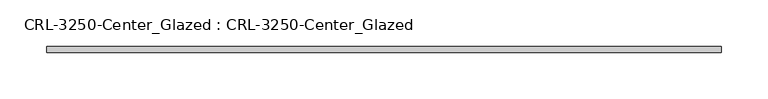
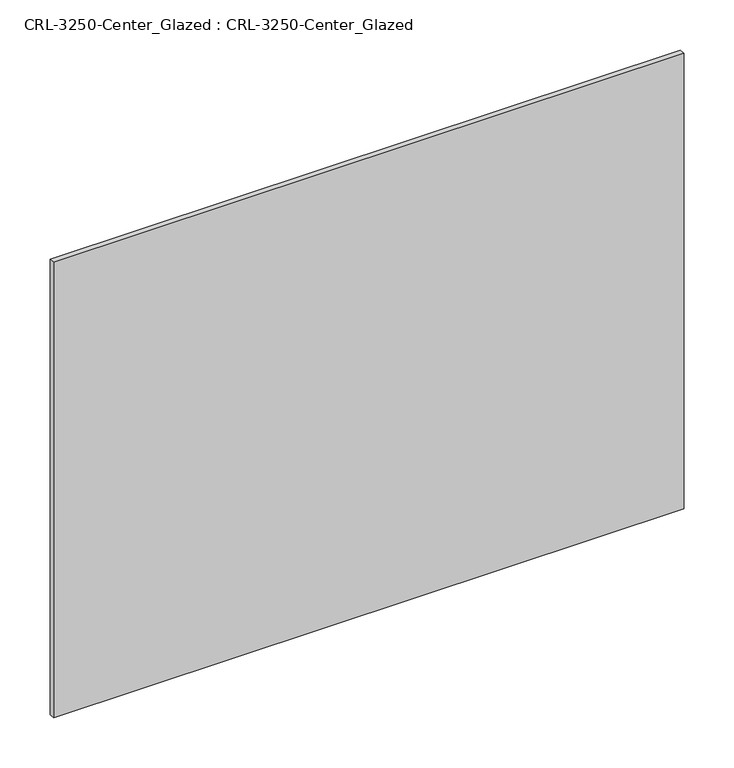
"""IFC4 building model written with IfcOpenShell, lengths in millimetres: plate geometry, CRL-3250-Center_Glazed : CRL-3250-Center_Glazed."""

from ifc_helpers import new_model, si_unit, origin, origin_with_axes, place, context, project, spatial, polyline, outline, extrude, source, transform, mapped, element, save


def crl_3250_center_glazed_crl_3250_center_glazed_e3b25a1f(model_context):
    return source(origin(), model_context, "Body", "SweptSolid", [
        extrude(outline(polyline([(361.8583365, -3.1749999), (-361.8583365, -3.1749999), (-361.8583365, 3.1749999), (361.8583365, 3.1749999), (361.8583365, -3.1749999)])), origin_with_axes(), (0.0, 0.0, 1.0), 552.4500045),
    ])


if __name__ == "__main__":
    model = new_model("IFC4")
    model_context = context("Model", 3, world=origin())
    ifc_project = project(units=[si_unit("LENGTHUNIT", "METRE", prefix="MILLI")], contexts=[model_context])
    site = spatial("IfcSite", under=ifc_project)
    building = spatial("IfcBuilding", under=site)
    placement = place(None, origin())
    crl_3250_center_glazed_crl_3250_center_glazed_shape = crl_3250_center_glazed_crl_3250_center_glazed_e3b25a1f(model_context)
    element("IfcPlate", 1, ObjectType="CRL-3250-Center_Glazed : CRL-3250-Center_Glazed", at=placement, inside=building, context=model_context, shape_type="MappedRepresentation", body=[
        mapped(crl_3250_center_glazed_crl_3250_center_glazed_shape, transform((0.0, 0.0, 0.0), x_axis=(1.0, 0.0, 0.0), y_axis=(0.0, 1.0, 0.0), z_axis=(0.0, 0.0, 1.0))),
    ])
    save(model, "model.ifc")
